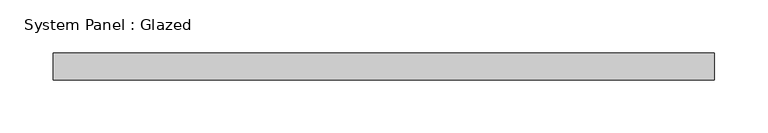
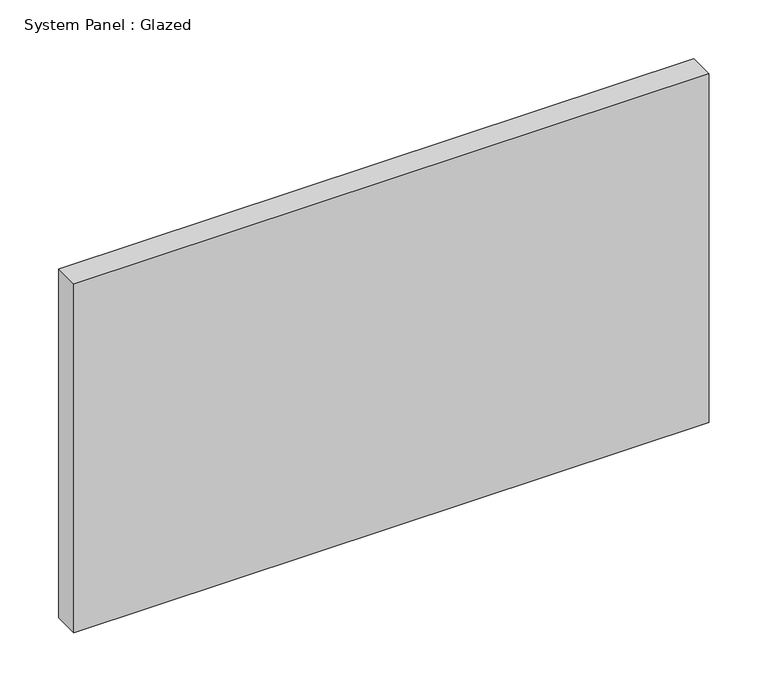
"""IFC4 building model written with IfcOpenShell, lengths in millimetres: plate geometry, System Panel : Glazed."""

from ifc_helpers import new_model, si_unit, origin, origin_with_axes, place, context, project, spatial, polyline, outline, extrude, source, transform, mapped, element, save


def system_panel_glazed_4063c00f(model_context):
    return source(origin(), model_context, "Body", "SweptSolid", [
        extrude(outline(polyline([(311.15, -12.7), (-311.15, -12.7), (-311.15, 12.7), (311.15, 12.7), (311.15, -12.7)])), origin_with_axes(), (0.0, 0.0, 1.0), 361.45),
    ])


if __name__ == "__main__":
    model = new_model("IFC4")
    model_context = context("Model", 3, world=origin())
    ifc_project = project(units=[si_unit("LENGTHUNIT", "METRE", prefix="MILLI")], contexts=[model_context])
    site = spatial("IfcSite", under=ifc_project)
    building = spatial("IfcBuilding", under=site)
    placement = place(None, origin())
    system_panel_glazed_shape = system_panel_glazed_4063c00f(model_context)
    element("IfcPlate", 1, ObjectType="System Panel : Glazed", at=placement, inside=building, context=model_context, shape_type="MappedRepresentation", body=[
        mapped(system_panel_glazed_shape, transform((0.0, 0.0, 0.0), x_axis=(1.0, 0.0, 0.0), y_axis=(0.0, 1.0, 0.0), z_axis=(0.0, 0.0, 1.0))),
    ])
    save(model, "model.ifc")
